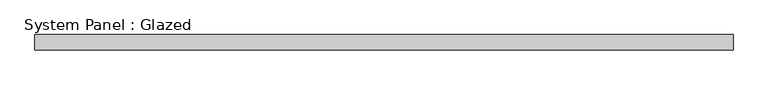
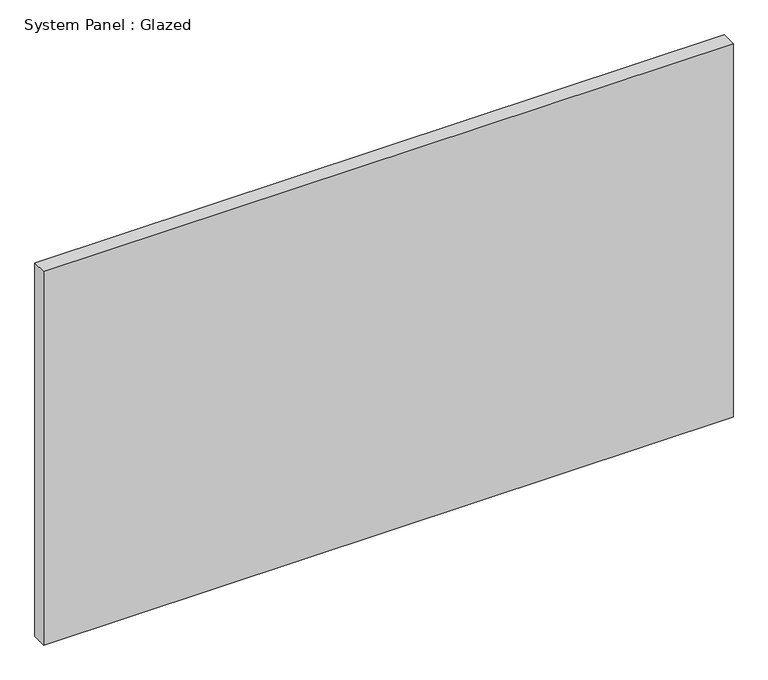
"""IFC4 building model written with IfcOpenShell, lengths in millimetres: plate geometry, System Panel : Glazed."""

from ifc_helpers import new_model, si_unit, origin, origin_with_axes, place, context, project, spatial, polyline, outline, extrude, source, transform, mapped, element, save


def system_panel_glazed_b36b809d(model_context):
    return source(origin(), model_context, "Body", "SweptSolid", [
        extrude(outline(polyline([(581.9069444, -44.45), (-581.9069444, -44.45), (-581.9069444, -19.05), (581.9069444, -19.05), (581.9069444, -44.45)])), origin_with_axes(), (0.0, 0.0, 1.0), 666.75),
    ])


if __name__ == "__main__":
    model = new_model("IFC4")
    model_context = context("Model", 3, world=origin())
    ifc_project = project(units=[si_unit("LENGTHUNIT", "METRE", prefix="MILLI")], contexts=[model_context])
    site = spatial("IfcSite", under=ifc_project)
    building = spatial("IfcBuilding", under=site)
    placement = place(None, origin())
    system_panel_glazed_shape = system_panel_glazed_b36b809d(model_context)
    element("IfcPlate", 1, ObjectType="System Panel : Glazed", at=placement, inside=building, context=model_context, shape_type="MappedRepresentation", body=[
        mapped(system_panel_glazed_shape, transform((0.0, 0.0, 0.0), x_axis=(1.0, 0.0, 0.0), y_axis=(0.0, 1.0, 0.0), z_axis=(0.0, 0.0, 1.0))),
    ])
    save(model, "model.ifc")
